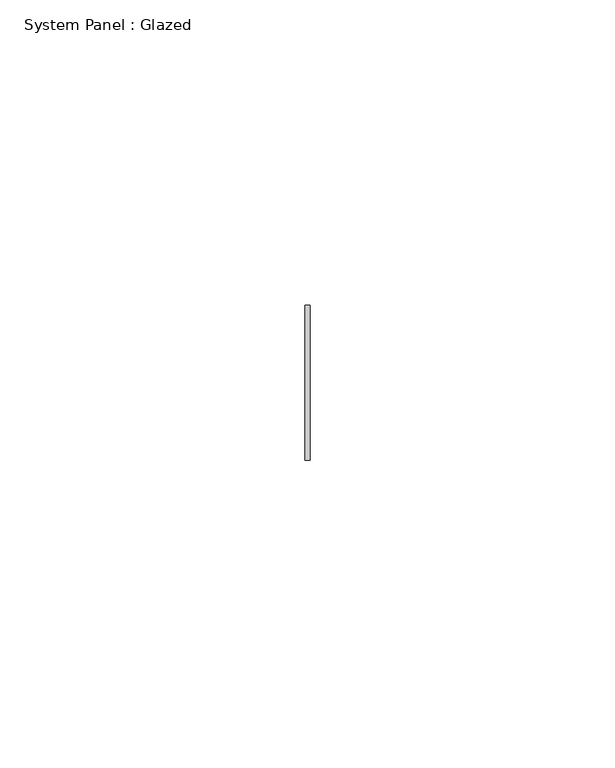
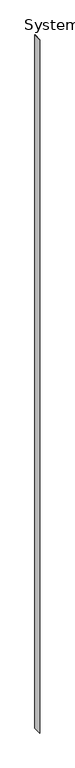
"""IFC4 building model written with IfcOpenShell, lengths in millimetres: plate geometry, System Panel : Glazed."""

from ifc_helpers import new_model, si_unit, origin, origin_with_axes, place, context, project, spatial, polyline, outline, extrude, source, transform, mapped, element, save


def system_panel_glazed_79cc967e(model_context):
    return source(origin(), model_context, "Body", "SweptSolid", [
        extrude(outline(polyline([(0.396875, -12.7), (-0.396875, -12.7), (-0.396875, 12.7), (0.396875, 12.7), (0.396875, -12.7)])), origin_with_axes(), (0.0, 0.0, 1.0), 2314.5833136),
    ])


if __name__ == "__main__":
    model = new_model("IFC4")
    model_context = context("Model", 3, world=origin())
    ifc_project = project(units=[si_unit("LENGTHUNIT", "METRE", prefix="MILLI")], contexts=[model_context])
    site = spatial("IfcSite", under=ifc_project)
    building = spatial("IfcBuilding", under=site)
    placement = place(None, origin())
    system_panel_glazed_shape = system_panel_glazed_79cc967e(model_context)
    element("IfcPlate", 1, ObjectType="System Panel : Glazed", at=placement, inside=building, context=model_context, shape_type="MappedRepresentation", body=[
        mapped(system_panel_glazed_shape, transform((0.0, 0.0, 0.0), x_axis=(1.0, 0.0, 0.0), y_axis=(0.0, 1.0, 0.0), z_axis=(0.0, 0.0, 1.0))),
    ])
    save(model, "model.ifc")
